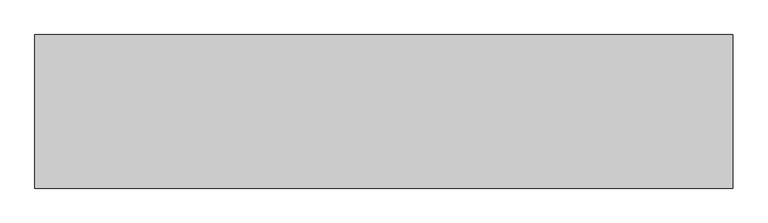
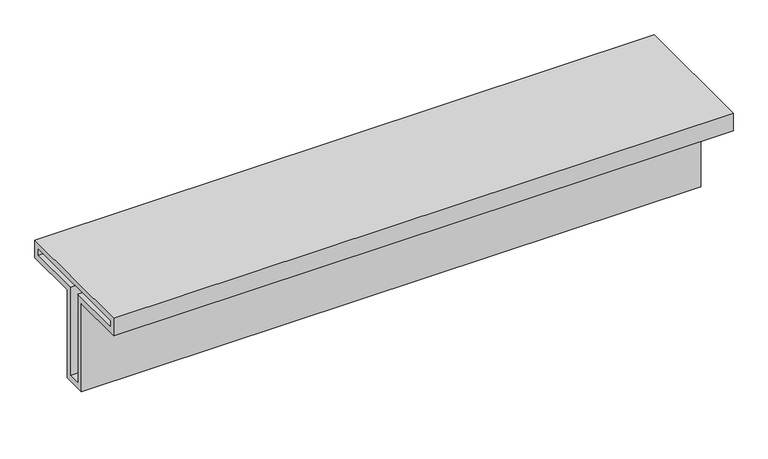
"""IFC4 building model written with IfcOpenShell, lengths in millimetres: proxy geometry."""

from ifc_helpers import new_model, si_unit, frame, origin, place, context, project, spatial, polyline, outline, extrude, source, transform, mapped, element, save


def generic_models_e830eb22(model_context):
    return source(origin(), model_context, "Body", "SweptSolid", [
        extrude(outline(polyline([(-220.0, 190.0), (220.0, 190.0), (220.0, 130.0), (40.0, 130.0), (40.0, -170.0), (-40.0, -170.0), (-40.0, 130.0), (-220.0, 130.0), (-220.0, 190.0)]), holes=[polyline([(200.0, 150.0), (200.0, 170.0), (-200.0, 170.0), (-200.0, 150.0), (-20.0, 150.0), (-20.0, -150.0), (20.0, -150.0), (20.0, 150.0), (200.0, 150.0)])]), frame((-1000.0, 0.0, 0.0), z_axis=(1.0, 0.0, 0.0), x_axis=(0.0, 1.0, 0.0)), (0.0, 0.0, 1.0), 2000.0),
    ])


if __name__ == "__main__":
    model = new_model("IFC4")
    model_context = context("Model", 3, world=origin())
    ifc_project = project(units=[si_unit("LENGTHUNIT", "METRE", prefix="MILLI")], contexts=[model_context])
    site = spatial("IfcSite", under=ifc_project)
    building = spatial("IfcBuilding", under=site)
    placement = place(None, origin())
    generic_models_shape = generic_models_e830eb22(model_context)
    element("IfcBuildingElementProxy", 1, Name="Generic Models", at=placement, inside=building, context=model_context, shape_type="MappedRepresentation", body=[
        mapped(generic_models_shape, transform((0.0, 0.0, 0.0), x_axis=(1.0, 0.0, 0.0), y_axis=(0.0, 1.0, 0.0), z_axis=(0.0, 0.0, 1.0))),
    ])
    save(model, "model.ifc")
